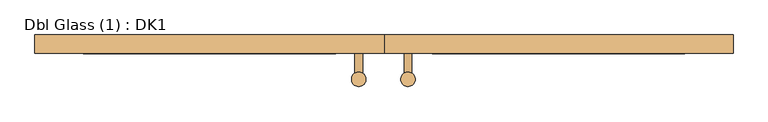
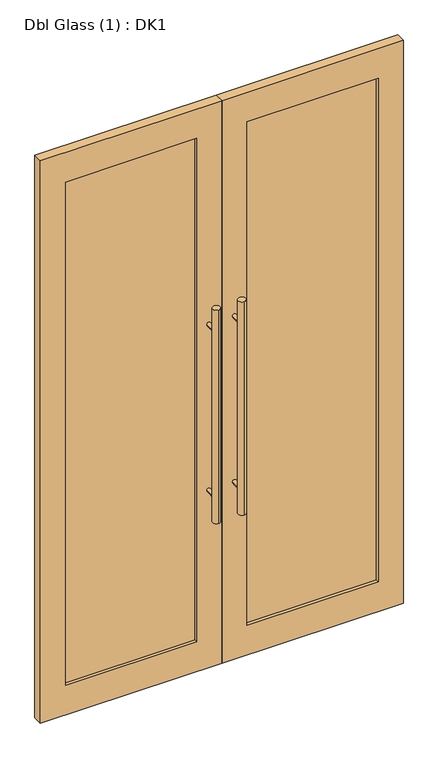
"""IFC4 building model written with IfcOpenShell, lengths in millimetres: door geometry, Dbl Glass (1) : DK1."""

from ifc_helpers import new_model, si_unit, point, frame, frame_2d, origin, place, context, project, spatial, polyline, circle_curve, trimmed, segment, composite_curve, outline, extrude, source, transform, mapped, element, save


def dbl_glass_1_dk1_b591c557(model_context):
    return source(origin(), model_context, "Body", "SweptSolid", [
        extrude(outline(composite_curve([segment(trimmed(circle_curve(frame_2d((49.6069979, -116.0715804)), 15.0), [point((49.6069979, -101.0715804))], [point((49.6069979, -131.0715804))], False, "CARTESIAN"), True, "CONTINUOUS"), segment(trimmed(circle_curve(frame_2d((49.6069979, -116.0715804)), 15.0), [point((49.6069979, -131.0715804))], [point((49.6069979, -101.0715804))], False, "CARTESIAN"), True, "CONTINUOUS")], self_intersect=False)), frame((0.0, 0.0, 650.0), z_axis=(0.0, 0.0, 1.0), x_axis=(1.0, 0.0, 0.0)), (0.0, 0.0, 1.0), 900.0),
        extrude(outline(composite_curve([segment(trimmed(circle_curve(frame_2d((-52.537897, -116.0715804)), 15.0), [point((-52.537897, -101.0715804))], [point((-52.537897, -131.0715804))], False, "CARTESIAN"), True, "CONTINUOUS"), segment(trimmed(circle_curve(frame_2d((-52.537897, -116.0715804)), 15.0), [point((-52.537897, -131.0715804))], [point((-52.537897, -101.0715804))], False, "CARTESIAN"), True, "CONTINUOUS")], self_intersect=False)), frame((0.0, 0.0, 650.0), z_axis=(0.0, 0.0, 1.0), x_axis=(1.0, 0.0, 0.0)), (0.0, 0.0, 1.0), 900.0),
        extrude(outline(composite_curve([segment(trimmed(circle_curve(frame_2d((750.0, 49.6069979)), 8.0), [point((750.0, 57.6069979))], [point((750.0, 41.6069979))], False, "CARTESIAN"), True, "CONTINUOUS"), segment(trimmed(circle_curve(frame_2d((750.0, 49.6069979)), 8.0), [point((750.0, 41.6069979))], [point((750.0, 57.6069979))], False, "CARTESIAN"), True, "CONTINUOUS")], self_intersect=False)), frame((0.0, -116.0715804, 0.0), z_axis=(0.0, 1.0, 0.0), x_axis=(0.0, 0.0, 1.0)), (0.0, 0.0, 1.0), 53.4927248),
        extrude(outline(composite_curve([segment(trimmed(circle_curve(frame_2d((750.0, -52.537897)), 8.0), [point((750.0, -44.537897))], [point((750.0, -60.537897))], False, "CARTESIAN"), True, "CONTINUOUS"), segment(trimmed(circle_curve(frame_2d((750.0, -52.537897)), 8.0), [point((750.0, -60.537897))], [point((750.0, -44.537897))], False, "CARTESIAN"), True, "CONTINUOUS")], self_intersect=False)), frame((0.0, -116.0715804, 0.0), z_axis=(0.0, 1.0, 0.0), x_axis=(0.0, 0.0, 1.0)), (0.0, 0.0, 1.0), 53.4927248),
        extrude(outline(composite_curve([segment(trimmed(circle_curve(frame_2d((1450.0, 49.6069979)), 8.0), [point((1450.0, 57.6069979))], [point((1450.0, 41.6069979))], False, "CARTESIAN"), True, "CONTINUOUS"), segment(trimmed(circle_curve(frame_2d((1450.0, 49.6069979)), 8.0), [point((1450.0, 41.6069979))], [point((1450.0, 57.6069979))], False, "CARTESIAN"), True, "CONTINUOUS")], self_intersect=False)), frame((0.0, -116.0715804, 0.0), z_axis=(0.0, 1.0, 0.0), x_axis=(0.0, 0.0, 1.0)), (0.0, 0.0, 1.0), 53.4927248),
        extrude(outline(composite_curve([segment(trimmed(circle_curve(frame_2d((1450.0, -52.537897)), 8.0), [point((1450.0, -44.537897))], [point((1450.0, -60.537897))], False, "CARTESIAN"), True, "CONTINUOUS"), segment(trimmed(circle_curve(frame_2d((1450.0, -52.537897)), 8.0), [point((1450.0, -60.537897))], [point((1450.0, -44.537897))], False, "CARTESIAN"), True, "CONTINUOUS")], self_intersect=False)), frame((0.0, -116.0715804, 0.0), z_axis=(0.0, 1.0, 0.0), x_axis=(0.0, 0.0, 1.0)), (0.0, 0.0, 1.0), 53.4927248),
        extrude(outline(polyline([(2375.0, -725.0), (0.0, -725.0), (0.0, 0.0), (2375.0, 0.0), (2375.0, -725.0)]), holes=[polyline([(2250.0, -625.0), (2250.0, -100.0), (125.0, -100.0), (125.0, -625.0), (2250.0, -625.0)])]), frame((0.0, -62.5788556, 0.0), z_axis=(0.0, 1.0, 0.0), x_axis=(0.0, 0.0, 1.0)), (0.0, 0.0, 1.0), 38.5435966),
        extrude(outline(polyline([(2375.0, 0.0), (0.0, 0.0), (0.0, 725.0), (2375.0, 725.0), (2375.0, 0.0)]), holes=[polyline([(2250.0, 100.0), (2250.0, 625.0), (125.0, 625.0), (125.0, 100.0), (2250.0, 100.0)])]), frame((0.0, -62.5788556, 0.0), z_axis=(0.0, 1.0, 0.0), x_axis=(0.0, 0.0, 1.0)), (0.0, 0.0, 1.0), 38.5435966),
        extrude(outline(polyline([(-100.0, -38.0), (-100.0, -50.0), (-625.0, -50.0), (-625.0, -38.0), (-100.0, -38.0)])), frame((0.0, 0.0, 125.0), z_axis=(0.0, 0.0, 1.0), x_axis=(1.0, 0.0, 0.0)), (0.0, 0.0, 1.0), 2125.0),
        extrude(outline(polyline([(625.0, -38.0), (625.0, -50.0), (100.0, -50.0), (100.0, -38.0), (625.0, -38.0)])), frame((0.0, 0.0, 125.0), z_axis=(0.0, 0.0, 1.0), x_axis=(1.0, 0.0, 0.0)), (0.0, 0.0, 1.0), 2125.0),
    ])


if __name__ == "__main__":
    model = new_model("IFC4")
    model_context = context("Model", 3, world=origin())
    ifc_project = project(units=[si_unit("LENGTHUNIT", "METRE", prefix="MILLI")], contexts=[model_context])
    site = spatial("IfcSite", under=ifc_project)
    building = spatial("IfcBuilding", under=site)
    placement = place(None, origin())
    dbl_glass_1_dk1_shape = dbl_glass_1_dk1_b591c557(model_context)
    element("IfcDoor", 1, ObjectType="Dbl Glass (1) : DK1", at=placement, inside=building, context=model_context, shape_type="MappedRepresentation", body=[
        mapped(dbl_glass_1_dk1_shape, transform((0.0, 0.0, 0.0), x_axis=(1.0, 0.0, 0.0), y_axis=(0.0, 1.0, 0.0), z_axis=(0.0, 0.0, 1.0))),
    ])
    save(model, "model.ifc")
